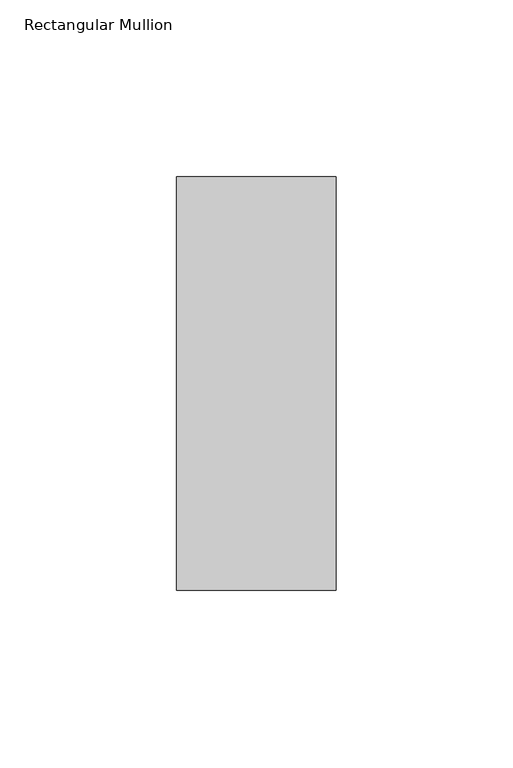
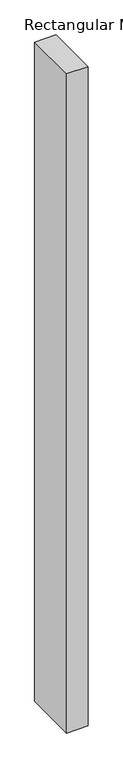
"""IFC4 building model written with IfcOpenShell, lengths in millimetres: member geometry, Rectangular Mullion."""

from ifc_helpers import new_model, si_unit, frame, origin, place, context, project, spatial, polyline, outline, extrude, source, transform, mapped, element, save


def rectangular_mullion_c9792486(model_context):
    return source(origin(), model_context, "Body", "SweptSolid", [
        extrude(outline(polyline([(22.5226562, 73.875), (22.5226562, -42.8257813), (-22.5226562, -42.8257813), (-22.5226562, 73.875), (22.5226562, 73.875)])), frame((0.0, 0.0, -1463.6663238), z_axis=(0.0, 0.0, 1.0), x_axis=(1.0, 0.0, 0.0)), (0.0, 0.0, 1.0), 1463.6663238),
    ])


if __name__ == "__main__":
    model = new_model("IFC4")
    model_context = context("Model", 3, world=origin())
    ifc_project = project(units=[si_unit("LENGTHUNIT", "METRE", prefix="MILLI")], contexts=[model_context])
    site = spatial("IfcSite", under=ifc_project)
    building = spatial("IfcBuilding", under=site)
    placement = place(None, origin())
    rectangular_mullion_shape = rectangular_mullion_c9792486(model_context)
    element("IfcMember", 1, ObjectType="Rectangular Mullion", at=placement, inside=building, context=model_context, shape_type="MappedRepresentation", body=[
        mapped(rectangular_mullion_shape, transform((0.0, 0.0, 0.0), x_axis=(1.0, 0.0, 0.0), y_axis=(0.0, 1.0, 0.0), z_axis=(0.0, 0.0, 1.0))),
    ])
    save(model, "model.ifc")
